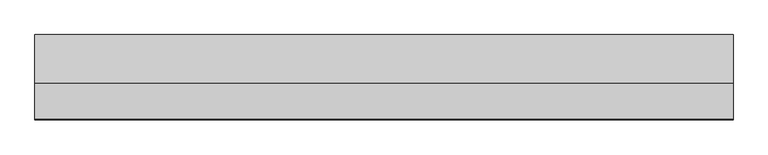
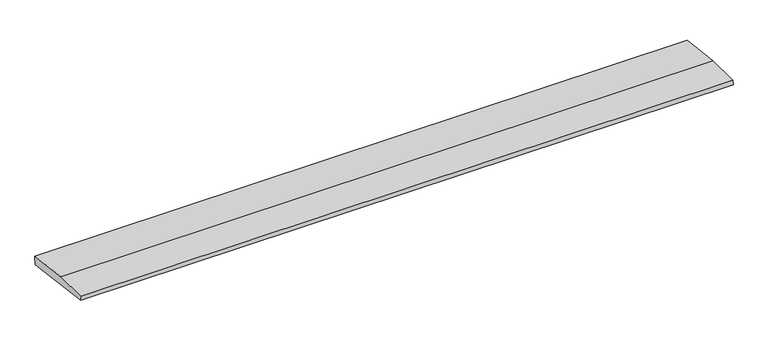
"""IFC4 building model written with IfcOpenShell, lengths in millimetres: beam geometry."""

import ifcopenshell
import ifcopenshell.guid

model = None  # the IFC model being written
_history = None  # IfcOwnerHistory: only IFC2X3 demands one
_inside = {}  # id of a spatial element -> (the spatial element, [elements in it])
_under = {}  # id of a project, library or spatial element -> (it, [spatial elements below it])
_declared = {}  # id of a project -> (the project, [libraries it declares])
_typed = {}  # id of a type object -> (the type object, [elements of that type])
_made_of = {}  # id of a material, layer set ... -> (it, [elements and type objects made of it])


def new_model(schema):
    """Start an empty IFC model of exactly this schema.

    Asked for "IFC4X3", IfcOpenShell would pick the latest addendum, in which some entities
    have other attributes; the version numbers below select the first issue.
    IFC2X3 requires an IfcOwnerHistory on every rooted entity: one is made here for all.
    """
    global model, _history
    if schema == "IFC4X3":
        model = ifcopenshell.file(schema_version=(4, 3, 0, 0))
    else:
        model = ifcopenshell.file(schema=schema)
    _inside.clear()
    _under.clear()
    _declared.clear()
    _typed.clear()
    _made_of.clear()
    _history = None
    if model.schema == "IFC2X3":
        org = make("IfcOrganization", Name="unknown")
        user = make(
            "IfcPersonAndOrganization",
            ThePerson=make("IfcPerson", FamilyName="unknown"),
            TheOrganization=org,
        )
        app = make(
            "IfcApplication",
            ApplicationDeveloper=org,
            Version="unknown",
            ApplicationFullName="unknown",
            ApplicationIdentifier="unknown",
        )
        _history = make(
            "IfcOwnerHistory",
            OwningUser=user,
            OwningApplication=app,
            ChangeAction="ADDED",
            CreationDate=0,
        )
    return model


def make(cls, **values):
    """One entity of the class cls with the attributes given. An attribute that is None is left unset."""
    return model.create_entity(
        cls, **{name: value for name, value in values.items() if value is not None}
    )


def rooted(cls, **values):
    """An entity with a GlobalId (a new one), such as an element, a storey or a relation."""
    return make(cls, GlobalId=ifcopenshell.guid.new(), OwnerHistory=_history, **values)


def si_unit(unit_type, name, prefix=None):
    """IfcSIUnit, for example si_unit("LENGTHUNIT", "METRE", prefix="MILLI")."""
    return make("IfcSIUnit", UnitType=unit_type, Prefix=prefix, Name=name)


def assignment(units):
    """IfcUnitAssignment: the units of a project."""
    return None if units is None else make("IfcUnitAssignment", Units=units)


def point(xyz):
    """IfcCartesianPoint."""
    return None if xyz is None else make("IfcCartesianPoint", Coordinates=xyz)


def direction(xyz):
    """IfcDirection."""
    return None if xyz is None else make("IfcDirection", DirectionRatios=xyz)


def frame(location, z_axis=None, x_axis=None):
    """IfcAxis2Placement3D, a coordinate frame: its origin and axes. An axis left out is left unset."""
    return make(
        "IfcAxis2Placement3D",
        Location=point(location),
        Axis=direction(z_axis),
        RefDirection=direction(x_axis),
    )


def origin():
    """The frame at (0, 0, 0) with its axes left unset."""
    return frame((0.0, 0.0, 0.0))


def place(relative_to, where):
    """IfcLocalPlacement: puts the frame where relative to a parent placement (None: the world)."""
    return make(
        "IfcLocalPlacement", PlacementRelTo=relative_to, RelativePlacement=where
    )


def context(
    kind, dimensions, precision=None, world=None, true_north=None, identifier=None
):
    """IfcGeometricRepresentationContext, for example the 3D "Model" context."""
    return make(
        "IfcGeometricRepresentationContext",
        ContextIdentifier=identifier,
        ContextType=kind,
        CoordinateSpaceDimension=dimensions,
        Precision=precision,
        WorldCoordinateSystem=world,
        TrueNorth=true_north,
    )


def project(units=None, contexts=None):
    """IfcProject with its units and contexts."""
    return rooted(
        "IfcProject",
        Name="project",
        RepresentationContexts=contexts,
        UnitsInContext=assignment(units),
    )


def spatial(cls, under=None, at=None, **own):
    """A site, building, storey or space (cls), placed at a placement, below another one or the project."""
    s = rooted(cls, ObjectPlacement=at, **own)
    if under is not None:
        _under.setdefault(under.id(), (under, []))[1].append(s)
    return s


def polyline(points):
    """IfcPolyline through the points."""
    return make("IfcPolyline", Points=[point(p) for p in points])


def outline(outer, holes=None, kind="AREA"):
    """IfcArbitraryClosedProfileDef: a profile drawn as a closed curve; with holes, ...WithVoids."""
    if holes is None:
        return make("IfcArbitraryClosedProfileDef", ProfileType=kind, OuterCurve=outer)
    return make(
        "IfcArbitraryProfileDefWithVoids",
        ProfileType=kind,
        OuterCurve=outer,
        InnerCurves=holes,
    )


def extrude(swept, where, along, depth):
    """IfcExtrudedAreaSolid: the profile swept, set in the frame where, extruded along a direction by depth."""
    return make(
        "IfcExtrudedAreaSolid",
        SweptArea=swept,
        Position=where,
        ExtrudedDirection=direction(along),
        Depth=depth,
    )


def shape(context_of_items, identifier, shape_type, items):
    """IfcShapeRepresentation: the items that make up one representation, for example the "Body"."""
    return make(
        "IfcShapeRepresentation",
        ContextOfItems=context_of_items,
        RepresentationIdentifier=identifier,
        RepresentationType=shape_type,
        Items=items,
    )


def source(mapping_origin, context_of_items, identifier, shape_type, items):
    """IfcRepresentationMap: a shape defined once, which mapped items show again and again."""
    return make(
        "IfcRepresentationMap",
        MappingOrigin=mapping_origin,
        MappedRepresentation=shape(context_of_items, identifier, shape_type, items),
    )


def transform(
    local_origin,
    x_axis=None,
    y_axis=None,
    z_axis=None,
    scale=None,
    scale2=None,
    scale3=None,
    uniform=True,
):
    """IfcCartesianTransformationOperator3D, or its non-uniform kind. x_axis, y_axis, z_axis: its Axis1, 2, 3."""
    if uniform:
        return make(
            "IfcCartesianTransformationOperator3D",
            Axis1=direction(x_axis),
            Axis2=direction(y_axis),
            LocalOrigin=point(local_origin),
            Scale=scale,
            Axis3=direction(z_axis),
        )
    return make(
        "IfcCartesianTransformationOperator3DnonUniform",
        Axis1=direction(x_axis),
        Axis2=direction(y_axis),
        LocalOrigin=point(local_origin),
        Scale=scale,
        Axis3=direction(z_axis),
        Scale2=scale2,
        Scale3=scale3,
    )


def mapped(mapping_source, mapping_target):
    """IfcMappedItem: shows the shape of a source again, moved by a transform."""
    return make(
        "IfcMappedItem", MappingSource=mapping_source, MappingTarget=mapping_target
    )


def made_of(thing, what):
    """Note that an element or type object is made of a material, layer set ...; save() writes the relation."""
    if what is not None:
        _made_of.setdefault(what.id(), (what, []))[1].append(thing)
    return thing


def element(
    cls,
    number,
    at=None,
    inside=None,
    cuts=None,
    type_object=None,
    material=None,
    context=None,
    identifier="Body",
    shape_type=None,
    held_by="IfcProductDefinitionShape",
    body=None,
    shapes=None,
    **own,
):
    """One element of the class cls, such as IfcWall. Its Tag is "e" and its number.

    at: its placement. inside: the storey or other place that contains it. cuts: it is an
    opening in that element (IfcRelVoidsElement). A single representation is given by context,
    identifier, shape_type and body (its items); several are given by shapes. held_by: the class
    of the entity that holds the representations. save() writes the other relations.
    """
    e = rooted(cls, Tag="e%d" % number, ObjectPlacement=at, **own)
    if body is not None:
        shapes = [shape(context, identifier, shape_type, body)]
    if shapes is not None:
        e.Representation = make(held_by, Representations=shapes)
    if inside is not None:
        _inside.setdefault(inside.id(), (inside, []))[1].append(e)
    if cuts is not None:
        rooted(
            "IfcRelVoidsElement", RelatingBuildingElement=cuts, RelatedOpeningElement=e
        )
    if type_object is not None:
        _typed.setdefault(type_object.id(), (type_object, []))[1].append(e)
    return made_of(e, material)


def aggregate(whole, parts):
    """IfcRelAggregates: a whole, such as a stair, and the parts it consists of."""
    return rooted("IfcRelAggregates", RelatingObject=whole, RelatedObjects=parts)


def save(model, path):
    """Write the relations noted so far, then the file.

    IfcRelAggregates (storeys below a building ...), IfcRelContainedInSpatialStructure (elements
    in a storey), IfcRelDefinesByType, IfcRelAssociatesMaterial and IfcRelDeclares: one each for
    every whole, place, type object, material and project.
    """
    for whole, parts in _under.values():
        aggregate(whole, parts)
    for where, things in _inside.values():
        rooted(
            "IfcRelContainedInSpatialStructure",
            RelatedElements=things,
            RelatingStructure=where,
        )
    for kind, things in _typed.values():
        rooted("IfcRelDefinesByType", RelatedObjects=things, RelatingType=kind)
    for what, things in _made_of.values():
        rooted("IfcRelAssociatesMaterial", RelatedObjects=things, RelatingMaterial=what)
    for by, libraries in _declared.values():
        rooted("IfcRelDeclares", RelatingContext=by, RelatedDefinitions=libraries)
    model.write(path)


def beam_88fd5e57(model_context):
    return source(origin(), model_context, "Body", "SweptSolid", [
        extrude(outline(polyline([(0.0, -9.143159), (1.1226388, 0.0), (79.0749747, 0.0), (180.9387048, -12.5072934), (178.6231873, -31.3656703), (0.0, -9.143159)])), frame((-739.0741737, 0.0, 0.0), z_axis=(1.0, 0.0, 0.0), x_axis=(0.0, 1.0, 0.0)), (0.0, 0.0, 1.0), 1478.1483474),
    ])


if __name__ == "__main__":
    model = new_model("IFC4")
    model_context = context("Model", 3, world=origin())
    ifc_project = project(units=[si_unit("LENGTHUNIT", "METRE", prefix="MILLI")], contexts=[model_context])
    site = spatial("IfcSite", under=ifc_project)
    building = spatial("IfcBuilding", under=site)
    placement = place(None, origin())
    beam_shape = beam_88fd5e57(model_context)
    element("IfcBeam", 1, at=placement, inside=building, context=model_context, shape_type="MappedRepresentation", body=[
        mapped(beam_shape, transform((0.0, 0.0, 0.0), x_axis=(1.0, 0.0, 0.0), y_axis=(0.0, 1.0, 0.0), z_axis=(0.0, 0.0, 1.0))),
    ])
    save(model, "model.ifc")
